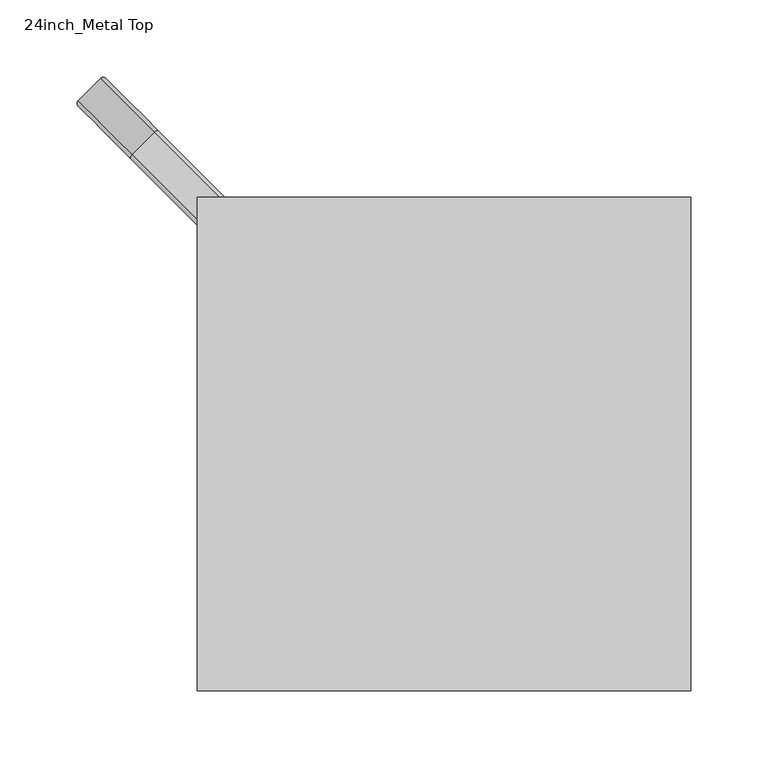
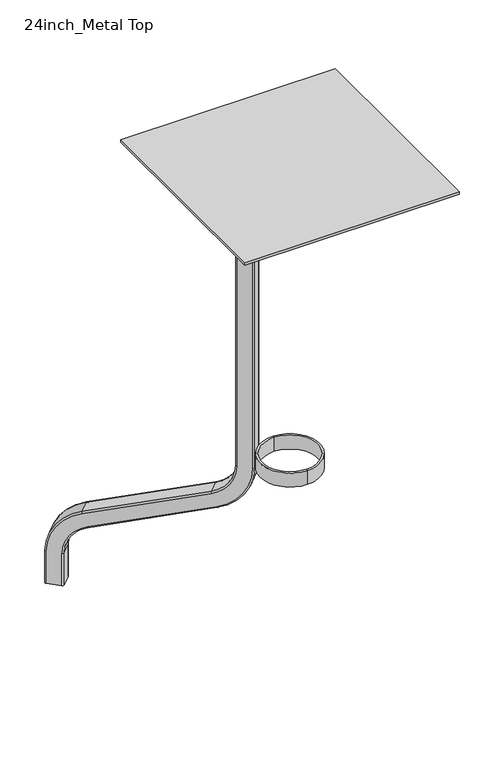
"""IFC4 building model written with IfcOpenShell, lengths in millimetres: furniture geometry, 24inch_Metal Top."""

from ifc_helpers import new_model, si_unit, point, frame, origin, place, context, project, spatial, polyline, circle_curve, ellipse_curve, trimmed, outline, extrude, source, transform, mapped, element, save
from ifc_brep_helpers import plane_surface, cylinder_surface, revolved_surface, advanced_brep


def furniture_24inch_metal_top_d97094fe(model_context):
    return source(origin(), model_context, "Body", "SolidModel", [
        advanced_brep(
        [(-237.0285379, 222.6060599, 6.0), (-222.6035596, 237.0310383, 6.0), (-219.0680257, 237.0310383, 6.0), (-204.6430474, 222.6060599, 6.0), (-204.6430474, 219.070526, 6.0), (-219.0680257, 204.6455477, 6.0), (-222.6035596, 204.6455477, 6.0), (-237.0285379, 219.070526, 6.0), (-237.0285379, 222.6060599, 56.4844346), (-222.6035596, 237.0310383, 56.4844346), (-219.0680257, 237.0310383, 56.4844346), (-185.3365294, 203.2995419, 124.6121496), (-63.1113418, 81.0743544, 187.5253211), (-38.6850858, 56.6480984, 236.8591837), (-38.6850858, 56.6480984, 710.9420313), (-24.2601075, 42.2231201, 710.9420313), (-24.2601075, 42.2231201, 236.8591837), (-58.1777086, 76.1407212, 168.3555916), (-180.4028962, 198.3659088, 105.4424202), (-204.6430474, 222.6060599, 56.4844346), (-204.6430474, 219.070526, 56.4844346), (-219.0680257, 204.6455477, 56.4844346), (-222.6035596, 204.6455477, 56.4844346), (-198.3634084, 180.4053965, 105.4424202), (-76.1382209, 58.180209, 168.3555916), (-42.2206197, 24.2626078, 236.8591837), (-42.2206197, 24.2626078, 710.9420313), (-56.6455981, 38.6875862, 710.9420313), (-56.6455981, 38.6875862, 236.8591837), (-81.071854, 63.1138421, 187.5253211), (-203.2970416, 185.3390297, 124.6121496), (-237.0285379, 219.070526, 56.4844346), (-187.7089082, 202.1363869, 126.9613812), (-202.1338866, 187.7114086, 126.9613812), (-181.5660513, 195.9935299, 103.0931886), (-195.9910296, 181.5685516, 103.0931886), (-79.908699, 65.486221, 189.8745526), (-65.4837207, 79.9111993, 189.8745526), (-59.3408637, 73.7683424, 166.0063601), (-73.765842, 59.343364, 166.0063601), (-42.2206197, 56.6480984, 236.8591837), (-56.6455981, 42.2231201, 236.8591837), (-24.2601075, 38.6875862, 236.8591837), (-38.6850858, 24.2626078, 236.8591837), (-56.6455981, 42.2231201, 710.9420313), (-38.6850858, 24.2626078, 710.9420313), (-24.2601075, 38.6875862, 710.9420313), (-42.2206197, 56.6480984, 710.9420313)],
        [
            (0, 1),
            (1, 2, circle_curve(frame((-220.8357927, 235.2632713, 6.0), z_axis=(0.0, 0.0, -1.0), x_axis=(0.707106781186547, -0.7071067811865482, 0.0)), 2.5)),
            (2, 3),
            (3, 4, circle_curve(frame((-206.4108143, 220.838293, 6.0), z_axis=(0.0, 0.0, -1.0), x_axis=(0.707106781186547, -0.7071067811865482, 0.0)), 2.5)),
            (4, 5),
            (5, 6, circle_curve(frame((-220.8357927, 206.4133147, 6.0), z_axis=(0.0, 0.0, -1.0), x_axis=(0.707106781186547, -0.7071067811865482, 0.0)), 2.5)),
            (6, 7),
            (7, 0, circle_curve(frame((-235.260771, 220.838293, 6.0), z_axis=(0.0, 0.0, -1.0), x_axis=(0.707106781186547, -0.7071067811865482, 0.0)), 2.5)),
            (0, 8),
            (8, 9),
            (9, 1),
            (9, 10, circle_curve(frame((-220.8357927, 235.2632713, 56.4844346), z_axis=(0.0, 0.0, -1.0), x_axis=(0.707106781186547, -0.7071067811865482, 0.0)), 2.5)),
            (10, 2),
            (10, 11, circle_curve(frame((-167.8027841, 185.7657966, 56.4844346), z_axis=(0.7071067811865482, 0.707106781186547, 0.0), x_axis=(-0.707106781186547, 0.7071067811865482, 0.0)), 72.5)),
            (11, 12),
            (12, 13, circle_curve(frame((-75.8081918, 93.7712044, 236.8591837), z_axis=(-0.7071067811865482, -0.707106781186547, 0.0), x_axis=(0.24184476264796445, -0.24184476264796487, -0.9396926207859139)), 52.5)),
            (13, 14),
            (14, 15),
            (15, 16),
            (16, 17, circle_curve(frame((-75.8081918, 93.7712044, 236.8591837), z_axis=(0.7071067811865482, 0.707106781186547, 0.0), x_axis=(0.24184476264796445, -0.24184476264796487, -0.9396926207859139)), 72.9)),
            (17, 18),
            (18, 19, circle_curve(frame((-167.8027841, 185.7657966, 56.4844346), z_axis=(-0.7071067811865482, -0.707106781186547, 0.0), x_axis=(-0.707106781186547, 0.7071067811865482, 0.0)), 52.1)),
            (19, 3),
            (19, 20, circle_curve(frame((-206.4108143, 220.838293, 56.4844346), z_axis=(0.0, 0.0, -1.0), x_axis=(0.707106781186547, -0.7071067811865482, 0.0)), 2.5)),
            (20, 4),
            (20, 21),
            (21, 5),
            (21, 22, circle_curve(frame((-220.8357927, 206.4133147, 56.4844346), z_axis=(0.0, 0.0, -1.0), x_axis=(0.707106781186547, -0.7071067811865482, 0.0)), 2.5)),
            (22, 6),
            (22, 23, circle_curve(frame((-185.7632963, 167.8052844, 56.4844346), z_axis=(0.7071067811865482, 0.707106781186547, 0.0), x_axis=(-0.707106781186547, 0.7071067811865482, 0.0)), 52.1)),
            (23, 24),
            (24, 25, circle_curve(frame((-93.7687041, 75.8106922, 236.8591837), z_axis=(-0.7071067811865482, -0.707106781186547, 0.0), x_axis=(0.24184476264796445, -0.24184476264796487, -0.9396926207859139)), 72.9)),
            (25, 26),
            (26, 27),
            (27, 28),
            (28, 29, circle_curve(frame((-93.7687041, 75.8106922, 236.8591837), z_axis=(0.7071067811865482, 0.707106781186547, 0.0), x_axis=(0.24184476264796445, -0.24184476264796487, -0.9396926207859139)), 52.5)),
            (29, 30),
            (30, 31, circle_curve(frame((-185.7632963, 167.8052844, 56.4844346), z_axis=(-0.7071067811865482, -0.707106781186547, 0.0), x_axis=(-0.707106781186547, 0.7071067811865482, 0.0)), 72.5)),
            (31, 7),
            (31, 8, circle_curve(frame((-235.260771, 220.838293, 56.4844346), z_axis=(0.0, 0.0, -1.0), x_axis=(0.707106781186547, -0.7071067811865482, 0.0)), 2.5)),
            (32, 9, circle_curve(frame((-169.570551, 183.9980297, 56.4844346), z_axis=(-0.7071067811865482, -0.707106781186547, 0.0), x_axis=(-0.707106781186547, 0.7071067811865482, 0.0)), 75.0)),
            (8, 33, circle_curve(frame((-183.9955294, 169.5730514, 56.4844346), z_axis=(0.7071067811865482, 0.707106781186547, 0.0), x_axis=(-0.707106781186547, 0.7071067811865482, 0.0)), 75.0)),
            (33, 32),
            (32, 11, circle_curve(frame((-187.1042963, 201.531775, 124.6121496), z_axis=(-0.6644630243886782, 0.6644630243886793, -0.34202014332565345), x_axis=(0.24184476264796423, -0.24184476264796467, -0.9396926207859142)), 2.5)),
            (34, 20, circle_curve(frame((-169.570551, 183.9980297, 56.4844346), z_axis=(-0.7071067811865482, -0.707106781186547, 0.0), x_axis=(-0.707106781186547, 0.7071067811865482, 0.0)), 49.6)),
            (18, 34, circle_curve(frame((-182.1706632, 196.5981418, 105.4424202), z_axis=(-0.6644630243886782, 0.6644630243886794, -0.3420201433256532), x_axis=(0.2418447626479641, -0.2418447626479645, -0.9396926207859143)), 2.5)),
            (35, 21, circle_curve(frame((-183.9955294, 169.5730514, 56.4844346), z_axis=(-0.7071067811865482, -0.707106781186547, 0.0), x_axis=(-0.707106781186547, 0.7071067811865482, 0.0)), 49.6)),
            (34, 35),
            (35, 23, circle_curve(frame((-196.5956415, 182.1731635, 105.4424202), z_axis=(-0.6644630243886782, 0.6644630243886794, -0.3420201433256532), x_axis=(0.2418447626479641, -0.2418447626479645, -0.9396926207859143)), 2.5)),
            (30, 33, circle_curve(frame((-201.5292747, 187.1067966, 124.6121496), z_axis=(-0.6644630243886782, 0.6644630243886793, -0.34202014332565345), x_axis=(0.24184476264796423, -0.24184476264796467, -0.9396926207859142)), 2.5)),
            (33, 36),
            (36, 37),
            (37, 32),
            (37, 12, circle_curve(frame((-64.8791088, 79.3065874, 187.5253211), z_axis=(-0.6644630243886781, 0.6644630243886793, -0.3420201433256536), x_axis=(0.24184476264796445, -0.24184476264796465, -0.939692620785914)), 2.5)),
            (17, 38, circle_curve(frame((-59.9454756, 74.3729543, 168.3555916), z_axis=(-0.6644630243886781, 0.6644630243886793, -0.3420201433256536), x_axis=(0.24184476264796445, -0.24184476264796465, -0.939692620785914)), 2.5)),
            (38, 34),
            (38, 39),
            (39, 35),
            (39, 24, circle_curve(frame((-74.3704539, 59.9479759, 168.3555916), z_axis=(-0.6644630243886781, 0.6644630243886793, -0.3420201433256536), x_axis=(0.24184476264796445, -0.24184476264796465, -0.939692620785914)), 2.5)),
            (29, 36, circle_curve(frame((-79.3040871, 64.8816091, 187.5253211), z_axis=(-0.6644630243886781, 0.6644630243886793, -0.3420201433256536), x_axis=(0.24184476264796445, -0.24184476264796465, -0.939692620785914)), 2.5)),
            (40, 37, circle_curve(frame((-77.5759588, 92.0034375, 236.8591837), z_axis=(0.7071067811865482, 0.707106781186547, 0.0), x_axis=(0.24184476264796445, -0.24184476264796487, -0.9396926207859139)), 50.0)),
            (36, 41, circle_curve(frame((-92.0009371, 77.5784591, 236.8591837), z_axis=(-0.7071067811865482, -0.707106781186547, 0.0), x_axis=(0.24184476264796445, -0.24184476264796487, -0.9396926207859139)), 50.0)),
            (41, 40),
            (40, 13, circle_curve(frame((-40.4528528, 54.8803314, 236.8591837), z_axis=(0.0, 0.0, -1.0), x_axis=(0.7071067811865471, -0.7071067811865481, 0.0)), 2.5)),
            (42, 38, circle_curve(frame((-77.5759588, 92.0034375, 236.8591837), z_axis=(0.7071067811865482, 0.707106781186547, 0.0), x_axis=(0.24184476264796445, -0.24184476264796487, -0.9396926207859139)), 75.4)),
            (16, 42, circle_curve(frame((-26.0278744, 40.4553531, 236.8591837), z_axis=(0.0, 0.0, -1.0), x_axis=(0.7071067811865471, -0.7071067811865481, 0.0)), 2.5)),
            (43, 39, circle_curve(frame((-92.0009371, 77.5784591, 236.8591837), z_axis=(0.7071067811865482, 0.707106781186547, 0.0), x_axis=(0.24184476264796445, -0.24184476264796487, -0.9396926207859139)), 75.4)),
            (42, 43),
            (43, 25, circle_curve(frame((-40.4528528, 26.0303748, 236.8591837), z_axis=(0.0, 0.0, -1.0000000000000002), x_axis=(0.7071067811865472, -0.7071067811865481, 0.0)), 2.5)),
            (28, 41, circle_curve(frame((-54.8778311, 40.4553531, 236.8591837), z_axis=(0.0, 0.0, -1.0), x_axis=(0.7071067811865471, -0.7071067811865481, 0.0)), 2.5)),
            (44, 27, circle_curve(frame((-54.8778311, 40.4553531, 710.9420313), z_axis=(0.0, 0.0, 1.0), x_axis=(0.7071067811865471, -0.707106781186548, 0.0)), 2.5)),
            (26, 45, circle_curve(frame((-40.4528528, 26.0303748, 710.9420313), z_axis=(0.0, 0.0, 1.0), x_axis=(0.7071067811865471, -0.707106781186548, 0.0)), 2.5)),
            (45, 46),
            (46, 15, circle_curve(frame((-26.0278744, 40.4553531, 710.9420313), z_axis=(0.0, 0.0, 1.0), x_axis=(0.7071067811865471, -0.707106781186548, 0.0)), 2.5)),
            (14, 47, circle_curve(frame((-40.4528528, 54.8803314, 710.9420313), z_axis=(0.0, 0.0, 1.0), x_axis=(0.7071067811865471, -0.707106781186548, 0.0)), 2.5)),
            (47, 44),
            (41, 44),
            (47, 40),
            (46, 42),
            (45, 43),
        ],
        [
            plane_surface(frame((-229.8172989, 229.8172989, 6.0), z_axis=(0.0, 0.0, -1.0000000000000002), x_axis=(0.7071067811865482, 0.707106781186547, 0.0))),
            plane_surface(frame((-237.0285379, 222.6060599, 6.0), z_axis=(-0.707106781186547, 0.7071067811865482, 0.0), x_axis=(0.0, 0.0, 1.0))),
            cylinder_surface(frame((-220.8357927, 235.2632713, 6.0), z_axis=(0.0, 0.0, -1.0000000000000002), x_axis=(0.707106781186547, -0.7071067811865482, 0.0)), 2.5),
            plane_surface(frame((-219.0680257, 237.0310383, 6.0), z_axis=(0.7071067811865482, 0.707106781186547, 0.0), x_axis=(0.0, 0.0, 1.0))),
            cylinder_surface(frame((-206.4108143, 220.838293, 6.0), z_axis=(0.0, 0.0, -1.0000000000000002), x_axis=(0.707106781186547, -0.7071067811865482, 0.0)), 2.5),
            plane_surface(frame((-204.6430474, 219.070526, 6.0), z_axis=(0.707106781186547, -0.7071067811865482, 0.0), x_axis=(0.0, 0.0, 1.0))),
            cylinder_surface(frame((-220.8357927, 206.4133147, 6.0), z_axis=(0.0, 0.0, -1.0000000000000002), x_axis=(0.707106781186547, -0.7071067811865482, 0.0)), 2.5),
            plane_surface(frame((-222.6035596, 204.6455477, 6.0), z_axis=(-0.7071067811865482, -0.707106781186547, 0.0), x_axis=(0.0, 0.0, 1.0))),
            cylinder_surface(frame((-235.260771, 220.838293, 6.0), z_axis=(0.0, 0.0, -1.0000000000000002), x_axis=(0.707106781186547, -0.7071067811865482, 0.0)), 2.5),
            cylinder_surface(frame((-176.7842904, 176.7842904, 56.4844346), z_axis=(0.7071067811865482, 0.707106781186547, 0.0), x_axis=(-0.707106781186547, 0.7071067811865482, 0.0)), 75.0),
            revolved_surface(trimmed(ellipse_curve(frame((-220.8357927, 235.2632713, 56.4844346), z_axis=(0.0, 0.0, -1.0000000000000002), x_axis=(0.707106781186547, -0.7071067811865482, 0.0)), 2.5, 2.5), [point((-222.6035596, 237.0310383, 56.4844346))], [point((-219.0680257, 237.0310383, 56.4844346))], True, "CARTESIAN"), (-176.7842904, 176.7842904, 56.4844346), (0.7071067811865482, 0.707106781186547, 0.0)),
            revolved_surface(trimmed(ellipse_curve(frame((-206.4108143, 220.838293, 56.4844346), z_axis=(0.0, 0.0, -1.0000000000000002), x_axis=(0.707106781186547, -0.7071067811865482, 0.0)), 2.5, 2.5), [point((-204.6430474, 222.6060599, 56.4844346))], [point((-204.6430474, 219.070526, 56.4844346))], True, "CARTESIAN"), (-176.7842904, 176.7842904, 56.4844346), (0.7071067811865482, 0.707106781186547, 0.0)),
            revolved_surface(polyline([(-204.64304739685272, 219.0705260968528, 56.4844346), (-219.06802574685275, 204.6455477468528, 56.4844346)]), (-176.7842904, 176.7842904, 56.4844346), (0.7071067811865482, 0.707106781186547, 0.0)),
            revolved_surface(trimmed(ellipse_curve(frame((-220.8357927, 206.4133147, 56.4844346), z_axis=(0.0, 0.0, -1.0000000000000002), x_axis=(0.707106781186547, -0.7071067811865482, 0.0)), 2.5, 2.5), [point((-219.0680257, 204.6455477, 56.4844346))], [point((-222.6035596, 204.6455477, 56.4844346))], True, "CARTESIAN"), (-176.7842904, 176.7842904, 56.4844346), (0.7071067811865482, 0.707106781186547, 0.0)),
            revolved_surface(trimmed(ellipse_curve(frame((-235.260771, 220.838293, 56.4844346), z_axis=(0.0, 0.0, -1.0000000000000002), x_axis=(0.707106781186547, -0.7071067811865482, 0.0)), 2.5, 2.5), [point((-237.0285379, 219.070526, 56.4844346))], [point((-237.0285379, 222.6060599, 56.4844346))], True, "CARTESIAN"), (-176.7842904, 176.7842904, 56.4844346), (0.7071067811865482, 0.707106781186547, 0.0)),
            plane_surface(frame((-202.1338866, 187.7114086, 126.9613812), z_axis=(-0.24184476264796426, 0.2418447626479649, 0.939692620785914), x_axis=(0.6644630243886781, -0.6644630243886791, 0.34202014332565356))),
            cylinder_surface(frame((-187.1042963, 201.531775, 124.6121496), z_axis=(-0.6644630243886781, 0.6644630243886793, -0.3420201433256536), x_axis=(0.24184476264796445, -0.24184476264796465, -0.939692620785914)), 2.5),
            cylinder_surface(frame((-182.1706632, 196.5981418, 105.4424202), z_axis=(-0.6644630243886781, 0.6644630243886793, -0.3420201433256536), x_axis=(0.24184476264796445, -0.24184476264796465, -0.939692620785914)), 2.5),
            plane_surface(frame((-181.5660513, 195.9935299, 103.0931886), z_axis=(0.2418447626479642, -0.24184476264796478, -0.9396926207859142), x_axis=(0.6644630243886781, -0.6644630243886792, 0.34202014332565345))),
            cylinder_surface(frame((-196.5956415, 182.1731635, 105.4424202), z_axis=(-0.6644630243886781, 0.6644630243886793, -0.3420201433256536), x_axis=(0.24184476264796445, -0.24184476264796465, -0.939692620785914)), 2.5),
            cylinder_surface(frame((-201.5292747, 187.1067966, 124.6121496), z_axis=(-0.6644630243886781, 0.6644630243886793, -0.3420201433256536), x_axis=(0.24184476264796445, -0.24184476264796465, -0.939692620785914)), 2.5),
            revolved_surface(polyline([(-79.90869896760178, 65.48622096760177, 189.8745526607043), (-65.48372061760173, 79.91119931760178, 189.8745526607043)]), (-84.7896981, 84.7896981, 236.8591837), (-0.7071067811865482, -0.707106781186547, 0.0)),
            revolved_surface(trimmed(ellipse_curve(frame((-64.8791088, 79.3065874, 187.5253211), z_axis=(-0.664463024388678, 0.6644630243886793, -0.3420201433256537), x_axis=(0.24184476264796453, -0.24184476264796473, -0.9396926207859139)), 2.5, 2.5), [point((-65.4837207, 79.9111993, 189.8745526))], [point((-63.1113418, 81.0743544, 187.5253211))], True, "CARTESIAN"), (-84.7896981, 84.7896981, 236.8591837), (-0.7071067811865482, -0.707106781186547, 0.0)),
            revolved_surface(trimmed(ellipse_curve(frame((-59.9454756, 74.3729543, 168.3555916), z_axis=(-0.664463024388678, 0.6644630243886793, -0.3420201433256537), x_axis=(0.24184476264796453, -0.24184476264796473, -0.9396926207859139)), 2.5, 2.5), [point((-58.1777086, 76.1407212, 168.3555916))], [point((-59.3408637, 73.7683424, 166.0063601))], True, "CARTESIAN"), (-84.7896981, 84.7896981, 236.8591837), (-0.7071067811865482, -0.707106781186547, 0.0)),
            cylinder_surface(frame((-84.7896981, 84.7896981, 236.8591837), z_axis=(-0.7071067811865482, -0.707106781186547, 0.0), x_axis=(0.24184476264796445, -0.24184476264796487, -0.9396926207859139)), 75.4),
            revolved_surface(trimmed(ellipse_curve(frame((-74.3704539, 59.9479759, 168.3555916), z_axis=(-0.664463024388678, 0.6644630243886793, -0.3420201433256537), x_axis=(0.24184476264796453, -0.24184476264796473, -0.9396926207859139)), 2.5, 2.5), [point((-73.765842, 59.343364, 166.0063601))], [point((-76.1382209, 58.180209, 168.3555916))], True, "CARTESIAN"), (-84.7896981, 84.7896981, 236.8591837), (-0.7071067811865482, -0.707106781186547, 0.0)),
            revolved_surface(trimmed(ellipse_curve(frame((-79.3040871, 64.8816091, 187.5253211), z_axis=(-0.664463024388678, 0.6644630243886793, -0.3420201433256537), x_axis=(0.24184476264796453, -0.24184476264796473, -0.9396926207859139)), 2.5, 2.5), [point((-81.071854, 63.1138421, 187.5253211))], [point((-79.908699, 65.486221, 189.8745526))], True, "CARTESIAN"), (-84.7896981, 84.7896981, 236.8591837), (-0.7071067811865482, -0.707106781186547, 0.0)),
            plane_surface(frame((-49.4343591, 49.4343591, 710.9420313), z_axis=(0.0, 0.0, 1.0), x_axis=(0.7071067811865481, 0.7071067811865469, 0.0))),
            plane_surface(frame((-56.6455981, 42.2231201, 236.8591837), z_axis=(-0.7071067811865468, 0.7071067811865483, 0.0), x_axis=(0.0, 0.0, 1.0))),
            cylinder_surface(frame((-40.4528528, 54.8803314, 236.8591837), z_axis=(0.0, 0.0, -1.0), x_axis=(0.7071067811865471, -0.707106781186548, 0.0)), 2.5),
            cylinder_surface(frame((-26.0278744, 40.4553531, 236.8591837), z_axis=(0.0, 0.0, -1.0), x_axis=(0.7071067811865471, -0.707106781186548, 0.0)), 2.5),
            plane_surface(frame((-24.2601075, 38.6875862, 236.8591837), z_axis=(0.7071067811865468, -0.7071067811865483, 0.0), x_axis=(0.0, 0.0, 1.0))),
            cylinder_surface(frame((-40.4528528, 26.0303748, 236.8591837), z_axis=(0.0, 0.0, -1.0), x_axis=(0.7071067811865471, -0.707106781186548, 0.0)), 2.5),
            cylinder_surface(frame((-54.8778311, 40.4553531, 236.8591837), z_axis=(0.0, 0.0, -1.0), x_axis=(0.7071067811865471, -0.707106781186548, 0.0)), 2.5),
        ],
        [
            (0, [[1, 2, 3, 4, 5, 6, 7, 8]]),
            (1, [[-1, 9, 10, 11]]),
            (2, [[-2, -11, 12, 13]]),
            (3, [[-3, -13, 14, 15, 16, 17, 18, 19, 20, 21, 22, 23]]),
            (4, [[-4, -23, 24, 25]]),
            (5, [[-5, -25, 26, 27]]),
            (6, [[-6, -27, 28, 29]]),
            (7, [[-7, -29, 30, 31, 32, 33, 34, 35, 36, 37, 38, 39]]),
            (8, [[-8, -39, 40, -9]]),
            (9, [[41, -10, 42, 43]]),
            (10, [[-14, -12, -41, 44]]),
            (11, [[45, -24, -22, 46]]),
            (12, [[47, -26, -45, 48]]),
            (13, [[-30, -28, -47, 49]]),
            (14, [[-42, -40, -38, 50]]),
            (15, [[-43, 51, 52, 53]]),
            (16, [[-44, -53, 54, -15]]),
            (17, [[-46, -21, 55, 56]]),
            (18, [[-48, -56, 57, 58]]),
            (19, [[-49, -58, 59, -31]]),
            (20, [[-50, -37, 60, -51]]),
            (21, [[61, -52, 62, 63]]),
            (22, [[-16, -54, -61, 64]]),
            (23, [[65, -55, -20, 66]]),
            (24, [[67, -57, -65, 68]]),
            (25, [[-32, -59, -67, 69]]),
            (26, [[-62, -60, -36, 70]]),
            (27, [[71, -34, 72, 73, 74, -18, 75, 76]]),
            (28, [[-63, 77, -76, 78]]),
            (29, [[-64, -78, -75, -17]]),
            (30, [[-66, -19, -74, 79]]),
            (31, [[-68, -79, -73, 80]]),
            (32, [[-69, -80, -72, -33]]),
            (33, [[-70, -35, -71, -77]]),
        ],
    ),
        advanced_brep(
        [(0.0, -41.5031727, 239.0179687), (0.0, 41.5031727, 239.0179687), (0.0, 41.5031727, 261.0), (0.0, -41.5031727, 261.0), (0.0, -44.5108185, 239.0179687), (0.0, 44.5108185, 239.0179687), (0.0, -44.5108185, 261.0), (0.0, 44.5108185, 261.0)],
        [
            (0, 1, circle_curve(frame((0.0, 0.0, 239.0179687), z_axis=(0.0, 0.0, -1.0), x_axis=(0.0, 1.0, 0.0)), 41.5031727)),
            (1, 2),
            (2, 3, circle_curve(frame((0.0, 0.0, 261.0), z_axis=(0.0, 0.0, 1.0), x_axis=(0.0, 1.0, 0.0)), 41.5031727)),
            (3, 0),
            (1, 0, circle_curve(frame((0.0, 0.0, 239.0179687), z_axis=(0.0, 0.0, -1.0), x_axis=(0.0, 1.0, 0.0)), 41.5031727)),
            (3, 2, circle_curve(frame((0.0, 0.0, 261.0), z_axis=(0.0, 0.0, 1.0), x_axis=(0.0, 1.0, 0.0)), 41.5031727)),
            (4, 5, circle_curve(frame((0.0, 0.0, 239.0179687), z_axis=(0.0, 0.0, -1.0), x_axis=(0.0, 1.0, 0.0)), 44.5108185)),
            (5, 1),
            (0, 4),
            (5, 4, circle_curve(frame((0.0, 0.0, 239.0179687), z_axis=(0.0, 0.0, -1.0), x_axis=(0.0, 1.0, 0.0)), 44.5108185)),
            (6, 7, circle_curve(frame((0.0, 0.0, 261.0), z_axis=(0.0, 0.0, -1.0), x_axis=(0.0, 1.0, 0.0)), 44.5108185)),
            (7, 5),
            (4, 6),
            (7, 6, circle_curve(frame((0.0, 0.0, 261.0), z_axis=(0.0, 0.0, -1.0), x_axis=(0.0, 1.0, 0.0)), 44.5108185)),
            (2, 7),
            (6, 3),
        ],
        [
            revolved_surface(polyline([(0.0, 41.5031727, 261.0), (0.0, 41.5031727, 239.01796869999998)]), (0.0, 0.0, 2427.253706), (0.0, 0.0, 1.0)),
            plane_surface(frame((0.0, 0.0, 239.0179687), z_axis=(0.0, 0.0, -1.0), x_axis=(0.0, 1.0, 0.0))),
            cylinder_surface(frame((0.0, 0.0, 2427.253706), z_axis=(0.0, 0.0, 1.0), x_axis=(0.0, 1.0, 0.0)), 44.5108185),
            plane_surface(frame((0.0, 0.0, 261.0), z_axis=(0.0, 0.0, 1.0), x_axis=(0.0, 1.0, 0.0))),
        ],
        [
            (0, [[1, 2, 3, 4]]),
            (0, [[5, -4, 6, -2]]),
            (1, [[7, 8, -1, 9]]),
            (1, [[10, -9, -5, -8]]),
            (2, [[11, 12, -7, 13]]),
            (2, [[14, -13, -10, -12]]),
            (3, [[-3, 15, -11, 16]]),
            (3, [[-6, -16, -14, -15]]),
        ],
    ),
        extrude(outline(polyline([(-160.0063704, -159.9910708), (-160.0063704, 160.0089292), (159.9936296, 160.0089292), (159.9936296, -159.9910708), (-160.0063704, -159.9910708)])), frame((0.0, 0.0, 710.9420313), z_axis=(0.0, 0.0, 1.0), x_axis=(1.0, 0.0, 0.0)), (0.0, 0.0, 1.0), 4.0679687),
    ])


if __name__ == "__main__":
    model = new_model("IFC4")
    model_context = context("Model", 3, world=origin())
    ifc_project = project(units=[si_unit("LENGTHUNIT", "METRE", prefix="MILLI")], contexts=[model_context])
    site = spatial("IfcSite", under=ifc_project)
    building = spatial("IfcBuilding", under=site)
    placement = place(None, origin())
    furniture_24inch_metal_top_shape = furniture_24inch_metal_top_d97094fe(model_context)
    element("IfcFurniture", 1, ObjectType="24inch_Metal Top", at=placement, inside=building, context=model_context, shape_type="MappedRepresentation", body=[
        mapped(furniture_24inch_metal_top_shape, transform((0.0, 0.0, 0.0), x_axis=(1.0, 0.0, 0.0), y_axis=(0.0, 1.0, 0.0), z_axis=(0.0, 0.0, 1.0))),
    ])
    save(model, "model.ifc")
